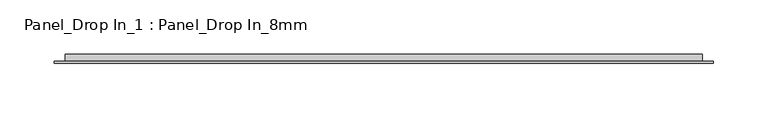
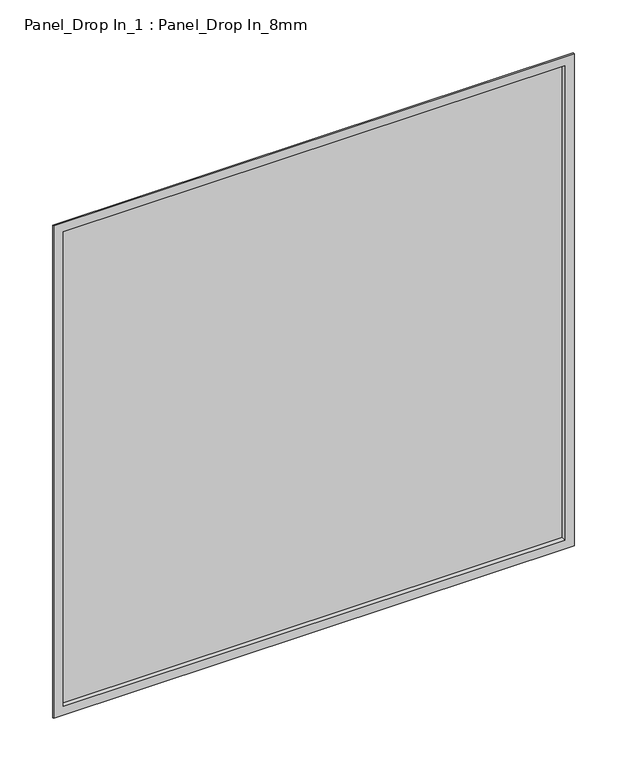
"""IFC4 building model written with IfcOpenShell, lengths in millimetres: plate geometry, Panel_Drop In_1 : Panel_Drop In_8mm."""

from ifc_helpers import new_model, si_unit, frame, origin, place, context, project, spatial, polyline, outline, extrude, faceted_brep, source, transform, mapped, element, save


def panel_drop_in_1_panel_drop_in_8mm_3e3f5996(model_context):
    return source(origin(), model_context, "Body", "SolidModel", [
        extrude(outline(polyline([(292.0, 5.5297993), (-292.0, 5.5297993), (-292.0, 7.0), (292.0, 7.0), (292.0, 5.5297993)])), frame((0.0, 0.0, 1.0), z_axis=(0.0, 0.0, 1.0), x_axis=(1.0, 0.0, 0.0)), (0.0, 0.0, 1.0), 584.0),
        faceted_brep([(-303.0, 0.0, 596.0), (-303.0, 1.5, 596.0), (-303.0, 1.5, -10.0), (-303.0, 0.0, -10.0), (-292.0, 7.0, 585.0), (-292.0, 0.0, 585.0), (-292.0, 0.0, 1.0), (-292.0, 7.0, 1.0), (-283.0, 8.0, 576.0), (-283.0, 7.0, 576.0), (-283.0, 7.0, 10.0), (-283.0, 8.0, 10.0), (-293.0, 1.5, 586.0), (-293.0, 8.0, 586.0), (-293.0, 8.0, 0.0), (-293.0, 1.5, 0.0), (303.0, 1.5, -10.0), (303.0, 0.0, -10.0), (292.0, 0.0, 1.0), (292.0, 7.0, 1.0), (283.0, 7.0, 10.0), (283.0, 8.0, 10.0), (293.0, 8.0, 0.0), (293.0, 1.5, 0.0), (303.0, 1.5, 596.0), (303.0, 0.0, 596.0), (292.0, 0.0, 585.0), (292.0, 7.0, 585.0), (283.0, 7.0, 576.0), (283.0, 8.0, 576.0), (293.0, 8.0, 586.0), (293.0, 1.5, 586.0)], [[[0, 1, 2, 3]], [[4, 5, 6, 7]], [[8, 9, 10, 11]], [[12, 13, 14, 15]], [[3, 2, 16, 17]], [[7, 6, 18, 19]], [[11, 10, 20, 21]], [[15, 14, 22, 23]], [[17, 16, 24, 25]], [[19, 18, 26, 27]], [[21, 20, 28, 29]], [[23, 22, 30, 31]], [[25, 24, 1, 0]], [[3, 17, 25, 0], [5, 26, 18, 6]], [[27, 26, 5, 4]], [[7, 19, 27, 4], [9, 28, 20, 10]], [[29, 28, 9, 8]], [[13, 30, 22, 14], [11, 21, 29, 8]], [[31, 30, 13, 12]], [[1, 24, 16, 2], [15, 23, 31, 12]]]),
        extrude(outline(polyline([(283.0, 7.0), (-283.0, 7.0), (-283.0, 8.0), (283.0, 8.0), (283.0, 7.0)])), frame((0.0, 0.0, 10.0), z_axis=(0.0, 0.0, 1.0), x_axis=(1.0, 0.0, 0.0)), (0.0, 0.0, 1.0), 566.0),
    ])


if __name__ == "__main__":
    model = new_model("IFC4")
    model_context = context("Model", 3, world=origin())
    ifc_project = project(units=[si_unit("LENGTHUNIT", "METRE", prefix="MILLI")], contexts=[model_context])
    site = spatial("IfcSite", under=ifc_project)
    building = spatial("IfcBuilding", under=site)
    placement = place(None, origin())
    panel_drop_in_1_panel_drop_in_8mm_shape = panel_drop_in_1_panel_drop_in_8mm_3e3f5996(model_context)
    element("IfcPlate", 1, ObjectType="Panel_Drop In_1 : Panel_Drop In_8mm", at=placement, inside=building, context=model_context, shape_type="MappedRepresentation", body=[
        mapped(panel_drop_in_1_panel_drop_in_8mm_shape, transform((0.0, 0.0, 0.0), x_axis=(1.0, 0.0, 0.0), y_axis=(0.0, 1.0, 0.0), z_axis=(0.0, 0.0, 1.0))),
    ])
    save(model, "model.ifc")
